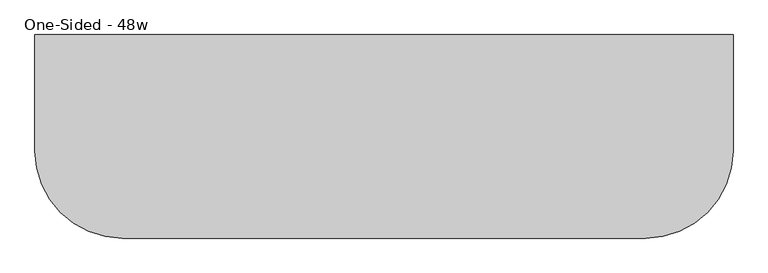
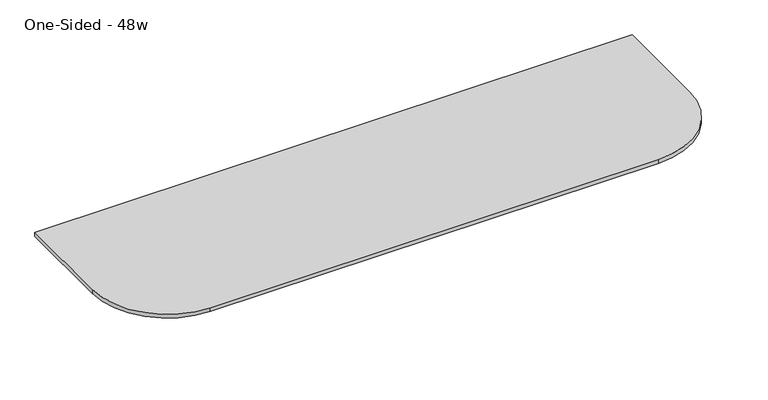
"""IFC4 building model written with IfcOpenShell, lengths in millimetres: furniture geometry, One-Sided - 48w."""

from ifc_helpers import new_model, si_unit, frame, origin, place, context, project, spatial, polyline, circle_curve, outline, extrude, source, transform, mapped, element, save
from ifc_brep_helpers import plane_surface, cylinder_surface, revolved_surface, advanced_brep


def one_sided_48w_3ed1bf30(model_context):
    return source(origin(), model_context, "Body", "SolidModel", [
        extrude(outline(polyline([(-205.7292425, 673.1), (-345.4292425, 704.85), (-345.4292425, 711.2), (-205.7292425, 711.2), (-205.7292425, 673.1)])), frame((-268.910823, 0.0, 0.0), z_axis=(1.0, 0.0, 0.0), x_axis=(0.0, 1.0, 0.0)), (0.0, 0.0, 1.0), 82.55),
        extrude(outline(polyline([(-205.7292425, 673.1), (-345.4292425, 704.85), (-345.4292425, 711.2), (-205.7292425, 711.2), (-205.7292425, 673.1)])), frame((-1069.010823, 0.0, 0.0), z_axis=(1.0, 0.0, 0.0), x_axis=(0.0, 1.0, 0.0)), (0.0, 0.0, 1.0), 82.55),
        advanced_brep(
        [(-1237.285823, -307.3292425, 742.95), (-1084.885823, -459.7292425, 742.95), (-170.485823, -459.7292425, 742.95), (-18.085823, -307.3292425, 742.95), (-18.085823, -104.1292425, 742.95), (-1237.285823, -104.1292425, 742.95), (-1186.485823, -104.1292425, 711.2), (-68.885823, -104.1292425, 711.2), (-68.885823, -307.3292425, 711.2), (-170.485823, -408.9292425, 711.2), (-1084.885823, -408.9292425, 711.2), (-1186.485823, -307.3292425, 711.2), (-1237.285823, -104.1292425, 734.45116), (-1237.285823, -307.3292425, 734.45116), (-1084.885823, -459.7292425, 734.45116), (-170.485823, -459.7292425, 734.45116), (-18.085823, -307.3292425, 734.45116), (-18.085823, -104.1292425, 734.45116)],
        [
            (0, 1, circle_curve(frame((-1084.885823, -307.3292425, 742.95), z_axis=(0.0, 0.0, 1.0), x_axis=(1.0, 0.0, 0.0)), 152.4)),
            (1, 2),
            (2, 3, circle_curve(frame((-170.485823, -307.3292425, 742.95), z_axis=(0.0, 0.0, 1.0), x_axis=(1.0, 0.0, 0.0)), 152.4)),
            (3, 4),
            (4, 5),
            (5, 0),
            (6, 7),
            (7, 8),
            (8, 9, circle_curve(frame((-170.485823, -307.3292425, 711.2), z_axis=(0.0, 0.0, -1.0), x_axis=(0.0, -1.0, 0.0)), 101.6)),
            (9, 10),
            (10, 11, circle_curve(frame((-1084.885823, -307.3292425, 711.2), z_axis=(0.0, 0.0, -1.0), x_axis=(-1.0, 0.0, 0.0)), 101.6)),
            (11, 6),
            (5, 12),
            (12, 13),
            (13, 0),
            (1, 14),
            (14, 15),
            (15, 2),
            (3, 16),
            (16, 17),
            (17, 4),
            (13, 14, circle_curve(frame((-1084.885823, -307.3292425, 734.45116), z_axis=(0.0, 0.0, 1.0), x_axis=(1.0, 0.0, 0.0)), 152.4)),
            (15, 16, circle_curve(frame((-170.485823, -307.3292425, 734.45116), z_axis=(0.0, 0.0, 1.0), x_axis=(1.0, 0.0, 0.0)), 152.4)),
            (17, 7),
            (6, 12),
            (8, 16),
            (15, 9),
            (11, 13),
            (10, 14),
        ],
        [
            plane_surface(frame((-1084.885823, 73.6707575, 742.95), z_axis=(0.0, 0.0, 1.0), x_axis=(-1.0, 0.0, 0.0))),
            plane_surface(frame((-1084.885823, 73.6707575, 711.2), z_axis=(0.0, 0.0, -1.0), x_axis=(1.0, 0.0, 0.0))),
            plane_surface(frame((-1237.285823, -78.7292425, 742.95), z_axis=(-1.0, 0.0, 0.0), x_axis=(0.0, 0.0, -1.0))),
            plane_surface(frame((-1084.885823, -459.7292425, 742.95), z_axis=(0.0, -1.0, 0.0), x_axis=(0.0, 0.0, -1.0))),
            plane_surface(frame((-18.085823, -307.3292425, 742.95), z_axis=(1.0, 0.0, 0.0), x_axis=(0.0, 0.0, -1.0))),
            cylinder_surface(frame((-1084.885823, -307.3292425, 711.2), z_axis=(0.0, 0.0, 1.0), x_axis=(1.0, 0.0, 0.0)), 152.4),
            cylinder_surface(frame((-170.485823, -307.3292425, 711.2), z_axis=(0.0, 0.0, 1.0), x_axis=(1.0, 0.0, 0.0)), 152.4),
            plane_surface(frame((-1237.285823, -104.1292425, 946.15), z_axis=(0.0, 1.0, 0.0), x_axis=(0.0, 0.0, -1.0))),
            revolved_surface(polyline([(-170.485823, -325.686944, 673.1), (-170.485823, -459.7292425, 734.45116)]), (-170.485823, -307.3292425, 742.95), (0.0, 0.0, 1.0)),
            plane_surface(frame((-18.085823, -307.3292425, 734.45116), z_axis=(0.4161787475539382, 0.0, -0.9092828218351183), x_axis=(0.0, 1.0, 0.0))),
            plane_surface(frame((-1237.285823, -78.7292425, 734.45116), z_axis=(-0.4161787475539382, 0.0, -0.9092828218351183), x_axis=(0.0, -1.0, 0.0))),
            revolved_surface(polyline([(-1103.2435246, -307.3292425, 673.1), (-1237.285823, -307.3292425, 734.45116)]), (-1084.885823, -307.3292425, 742.95), (0.0, 0.0, 1.0)),
            plane_surface(frame((-1084.885823, -459.7292425, 734.45116), z_axis=(0.0, -0.4161787475539382, -0.9092828218351183), x_axis=(1.0, 0.0, 0.0))),
        ],
        [
            (0, [[1, 2, 3, 4, 5, 6]]),
            (1, [[7, 8, 9, 10, 11, 12]]),
            (2, [[-6, 13, 14, 15]]),
            (3, [[-2, 16, 17, 18]]),
            (4, [[-4, 19, 20, 21]]),
            (5, [[-1, -15, 22, -16]]),
            (6, [[-3, -18, 23, -19]]),
            (7, [[-5, -21, 24, -7, 25, -13]]),
            (8, [[26, -23, 27, -9]]),
            (9, [[-26, -8, -24, -20]]),
            (10, [[28, -14, -25, -12]]),
            (11, [[-28, -11, 29, -22]]),
            (12, [[-29, -10, -27, -17]]),
        ],
    ),
    ])


if __name__ == "__main__":
    model = new_model("IFC4")
    model_context = context("Model", 3, world=origin())
    ifc_project = project(units=[si_unit("LENGTHUNIT", "METRE", prefix="MILLI")], contexts=[model_context])
    site = spatial("IfcSite", under=ifc_project)
    building = spatial("IfcBuilding", under=site)
    placement = place(None, origin())
    one_sided_48w_shape = one_sided_48w_3ed1bf30(model_context)
    element("IfcFurniture", 1, ObjectType="One-Sided - 48w", at=placement, inside=building, context=model_context, shape_type="MappedRepresentation", body=[
        mapped(one_sided_48w_shape, transform((0.0, 0.0, 0.0), x_axis=(1.0, 0.0, 0.0), y_axis=(0.0, 1.0, 0.0), z_axis=(0.0, 0.0, 1.0))),
    ])
    save(model, "model.ifc")
